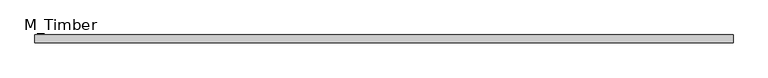
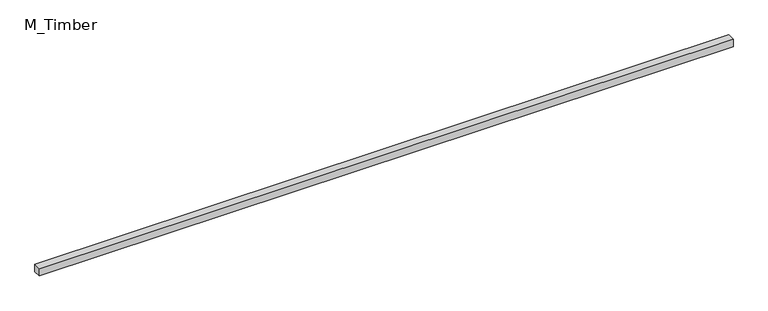
"""IFC4 building model written with IfcOpenShell, lengths in millimetres: beam geometry, M_Timber."""

from ifc_helpers import new_model, si_unit, frame, origin, place, context, project, spatial, polyline, outline, extrude, source, transform, mapped, element, save


def m_timber_98176129(model_context):
    return source(origin(), model_context, "Body", "SweptSolid", [
        extrude(outline(polyline([(1776.6680571, 20.0), (1776.6680571, -20.0), (-1776.6680571, -20.0), (-1776.6680571, 20.0), (1776.6680571, 20.0)])), frame((0.0, 0.0, -20.0), z_axis=(0.0, 0.0, 1.0), x_axis=(1.0, 0.0, 0.0)), (0.0, 0.0, 1.0), 40.0),
    ])


if __name__ == "__main__":
    model = new_model("IFC4")
    model_context = context("Model", 3, world=origin())
    ifc_project = project(units=[si_unit("LENGTHUNIT", "METRE", prefix="MILLI")], contexts=[model_context])
    site = spatial("IfcSite", under=ifc_project)
    building = spatial("IfcBuilding", under=site)
    placement = place(None, origin())
    m_timber_shape = m_timber_98176129(model_context)
    element("IfcBeam", 1, ObjectType="M_Timber", at=placement, inside=building, context=model_context, shape_type="MappedRepresentation", body=[
        mapped(m_timber_shape, transform((0.0, 0.0, 0.0), x_axis=(1.0, 0.0, 0.0), y_axis=(0.0, 1.0, 0.0), z_axis=(0.0, 0.0, 1.0))),
    ])
    save(model, "model.ifc")
